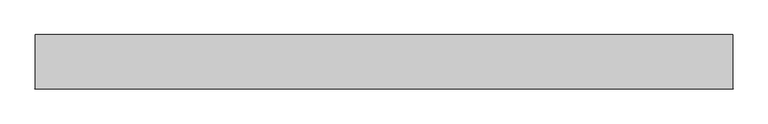
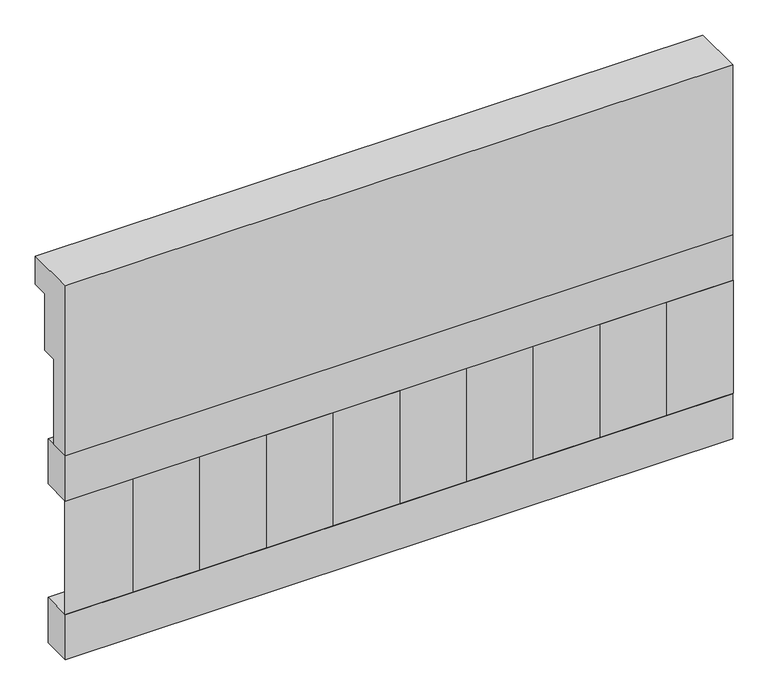
"""IFC4 building model written with IfcOpenShell, lengths in millimetres: railing geometry."""

from ifc_helpers import new_model, si_unit, frame, origin, place, context, project, spatial, polyline, outline, extrude, source, transform, mapped, element, save


def railing_548416ef(model_context):
    return source(origin(), model_context, "Body", "SweptSolid", [
        extrude(outline(polyline([(903.1079487, 28400.0), (1033.1079487, 28400.0), (1033.1079487, 28325.0), (993.1079487, 28325.0), (993.1079487, 28175.0), (953.1079487, 28175.0), (953.1079487, 27950.0), (903.1079487, 27950.0), (903.1079487, 28400.0)])), frame((-22709.9887159, 0.0, 0.0), z_axis=(1.0, 0.0, 0.0), x_axis=(0.0, 1.0, 0.0)), (0.0, 0.0, 1.0), 1670.0),
        extrude(outline(polyline([(-21039.9887159, 978.1079487), (-21039.9887159, 903.1079487), (-22709.9887159, 903.1079487), (-22709.9887159, 978.1079487), (-21039.9887159, 978.1079487)])), frame((0.0, 0.0, 27830.0), z_axis=(0.0, 0.0, 1.0), x_axis=(1.0, 0.0, 0.0)), (0.0, 0.0, 1.0), 120.0),
        extrude(outline(polyline([(-21039.9887159, 978.1079487), (-21039.9887159, 903.1079487), (-22709.9887159, 903.1079487), (-22709.9887159, 978.1079487), (-21039.9887159, 978.1079487)])), frame((0.0, 0.0, 27410.0), z_axis=(0.0, 0.0, 1.0), x_axis=(1.0, 0.0, 0.0)), (0.0, 0.0, 1.0), 120.0),
        extrude(outline(polyline([(-22626.4887159, 987.9607624), (-22541.6359022, 903.1079487), (-22711.3415296, 903.1079487), (-22626.4887159, 987.9607624)])), frame((0.0, 0.0, 27530.0), z_axis=(0.0, 0.0, 1.0), x_axis=(1.0, 0.0, 0.0)), (0.0, 0.0, 1.0), 300.0),
        extrude(outline(polyline([(-22459.4887159, 987.9607624), (-22374.6359022, 903.1079487), (-22544.3415296, 903.1079487), (-22459.4887159, 987.9607624)])), frame((0.0, 0.0, 27530.0), z_axis=(0.0, 0.0, 1.0), x_axis=(1.0, 0.0, 0.0)), (0.0, 0.0, 1.0), 300.0),
        extrude(outline(polyline([(-22292.4887159, 987.9607624), (-22207.6359022, 903.1079487), (-22377.3415296, 903.1079487), (-22292.4887159, 987.9607624)])), frame((0.0, 0.0, 27530.0), z_axis=(0.0, 0.0, 1.0), x_axis=(1.0, 0.0, 0.0)), (0.0, 0.0, 1.0), 300.0),
        extrude(outline(polyline([(-22125.4887159, 987.9607624), (-22040.6359022, 903.1079487), (-22210.3415296, 903.1079487), (-22125.4887159, 987.9607624)])), frame((0.0, 0.0, 27530.0), z_axis=(0.0, 0.0, 1.0), x_axis=(1.0, 0.0, 0.0)), (0.0, 0.0, 1.0), 300.0),
        extrude(outline(polyline([(-21958.4887159, 987.9607624), (-21873.6359022, 903.1079487), (-22043.3415296, 903.1079487), (-21958.4887159, 987.9607624)])), frame((0.0, 0.0, 27530.0), z_axis=(0.0, 0.0, 1.0), x_axis=(1.0, 0.0, 0.0)), (0.0, 0.0, 1.0), 300.0),
        extrude(outline(polyline([(-21791.4887159, 987.9607624), (-21706.6359022, 903.1079487), (-21876.3415296, 903.1079487), (-21791.4887159, 987.9607624)])), frame((0.0, 0.0, 27530.0), z_axis=(0.0, 0.0, 1.0), x_axis=(1.0, 0.0, 0.0)), (0.0, 0.0, 1.0), 300.0),
        extrude(outline(polyline([(-21624.4887159, 987.9607624), (-21539.6359022, 903.1079487), (-21709.3415296, 903.1079487), (-21624.4887159, 987.9607624)])), frame((0.0, 0.0, 27530.0), z_axis=(0.0, 0.0, 1.0), x_axis=(1.0, 0.0, 0.0)), (0.0, 0.0, 1.0), 300.0),
        extrude(outline(polyline([(-21457.4887159, 987.9607624), (-21372.6359022, 903.1079487), (-21542.3415296, 903.1079487), (-21457.4887159, 987.9607624)])), frame((0.0, 0.0, 27530.0), z_axis=(0.0, 0.0, 1.0), x_axis=(1.0, 0.0, 0.0)), (0.0, 0.0, 1.0), 300.0),
        extrude(outline(polyline([(-21290.4887159, 987.9607624), (-21205.6359022, 903.1079487), (-21375.3415296, 903.1079487), (-21290.4887159, 987.9607624)])), frame((0.0, 0.0, 27530.0), z_axis=(0.0, 0.0, 1.0), x_axis=(1.0, 0.0, 0.0)), (0.0, 0.0, 1.0), 300.0),
        extrude(outline(polyline([(-21123.4887159, 987.9607624), (-21038.6359022, 903.1079487), (-21208.3415296, 903.1079487), (-21123.4887159, 987.9607624)])), frame((0.0, 0.0, 27530.0), z_axis=(0.0, 0.0, 1.0), x_axis=(1.0, 0.0, 0.0)), (0.0, 0.0, 1.0), 300.0),
    ])


if __name__ == "__main__":
    model = new_model("IFC4")
    model_context = context("Model", 3, world=origin())
    ifc_project = project(units=[si_unit("LENGTHUNIT", "METRE", prefix="MILLI")], contexts=[model_context])
    site = spatial("IfcSite", under=ifc_project)
    building = spatial("IfcBuilding", under=site)
    placement = place(None, origin())
    railing_shape = railing_548416ef(model_context)
    element("IfcRailing", 1, at=placement, inside=building, context=model_context, shape_type="MappedRepresentation", body=[
        mapped(railing_shape, transform((0.0, 0.0, 0.0), x_axis=(1.0, 0.0, 0.0), y_axis=(0.0, 1.0, 0.0), z_axis=(0.0, 0.0, 1.0))),
    ])
    save(model, "model.ifc")
